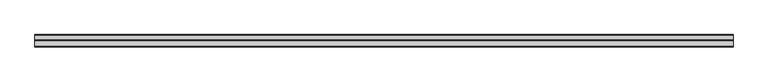
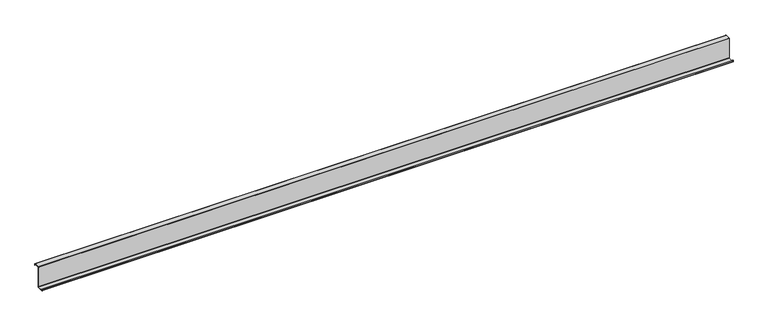
"""IFC4 building model written with IfcOpenShell, lengths in millimetres: member geometry."""

from ifc_helpers import new_model, si_unit, point, frame, frame_2d, origin, place, context, project, spatial, polyline, circle_curve, trimmed, segment, composite_curve, outline, extrude, source, transform, mapped, element, save


def member_0a859fbd(model_context):
    return source(origin(), model_context, "Body", "SweptSolid", [
        extrude(outline(composite_curve([segment(trimmed(circle_curve(frame_2d((-3.5, -123.5)), 3.5), [point((0.0, -123.5))], [point((-3.5, -127.0))], False, "CARTESIAN"), True, "CONTINUOUS"), segment(polyline([(-3.5, -127.0), (-75.0, -127.0)]), True, "CONTINUOUS"), segment(trimmed(circle_curve(frame_2d((-75.0, -123.5)), 3.5), [point((-75.0, -127.0))], [point((-78.5, -123.5))], False, "CARTESIAN"), True, "CONTINUOUS"), segment(polyline([(-78.5, -123.5), (-78.5, -107.5), (-77.0, -107.5), (-77.0, -123.5)]), True, "CONTINUOUS"), segment(trimmed(circle_curve(frame_2d((-75.0, -123.5)), 2.0), [point((-77.0, -123.5))], [point((-75.0, -125.5))], True, "CARTESIAN"), True, "CONTINUOUS"), segment(polyline([(-75.0, -125.5), (-3.5, -125.5)]), True, "CONTINUOUS"), segment(trimmed(circle_curve(frame_2d((-3.5, -123.5)), 2.0), [point((-3.5, -125.5))], [point((-1.5, -123.5))], True, "CARTESIAN"), True, "CONTINUOUS"), segment(polyline([(-1.5, -123.5), (-1.5, 123.5)]), True, "CONTINUOUS"), segment(trimmed(circle_curve(frame_2d((2.0, 123.5)), 3.5), [point((-1.5, 123.5))], [point((2.0, 127.0))], False, "CARTESIAN"), True, "CONTINUOUS"), segment(polyline([(2.0, 127.0), (63.5, 127.0)]), True, "CONTINUOUS"), segment(trimmed(circle_curve(frame_2d((63.5, 123.5)), 3.5), [point((63.5, 127.0))], [point((67.0, 123.5))], False, "CARTESIAN"), True, "CONTINUOUS"), segment(polyline([(67.0, 123.5), (67.0, 107.0), (65.5, 107.0), (65.5, 123.5)]), True, "CONTINUOUS"), segment(trimmed(circle_curve(frame_2d((63.5, 123.5)), 2.0), [point((65.5, 123.5))], [point((63.5, 125.5))], True, "CARTESIAN"), True, "CONTINUOUS"), segment(polyline([(63.5, 125.5), (2.0, 125.5)]), True, "CONTINUOUS"), segment(trimmed(circle_curve(frame_2d((2.0, 123.5)), 2.0), [point((2.0, 125.5))], [point((0.0, 123.5))], True, "CARTESIAN"), True, "CONTINUOUS"), segment(polyline([(0.0, 123.5), (0.0, -123.5)]), True, "CONTINUOUS")], self_intersect=False)), frame((-4153.5, 0.0, 0.0), z_axis=(1.0, 0.0, 0.0), x_axis=(0.0, 1.0, 0.0)), (0.0, 0.0, 1.0), 8307.0),
    ])


if __name__ == "__main__":
    model = new_model("IFC4")
    model_context = context("Model", 3, world=origin())
    ifc_project = project(units=[si_unit("LENGTHUNIT", "METRE", prefix="MILLI")], contexts=[model_context])
    site = spatial("IfcSite", under=ifc_project)
    building = spatial("IfcBuilding", under=site)
    placement = place(None, origin())
    member_shape = member_0a859fbd(model_context)
    element("IfcMember", 1, at=placement, inside=building, context=model_context, shape_type="MappedRepresentation", body=[
        mapped(member_shape, transform((0.0, 0.0, 0.0), x_axis=(1.0, 0.0, 0.0), y_axis=(0.0, 1.0, 0.0), z_axis=(0.0, 0.0, 1.0))),
    ])
    save(model, "model.ifc")
